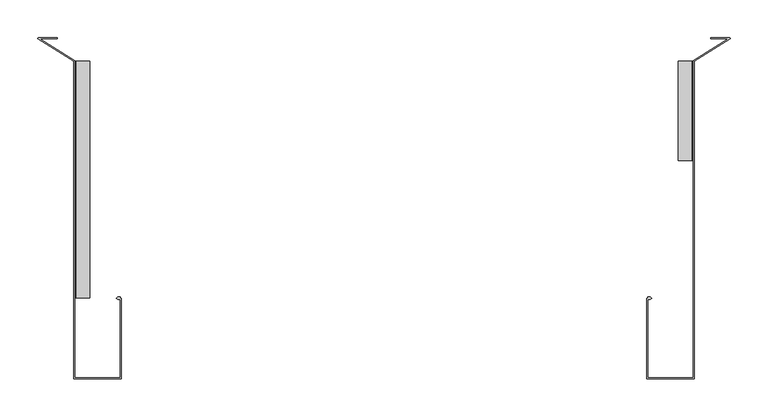
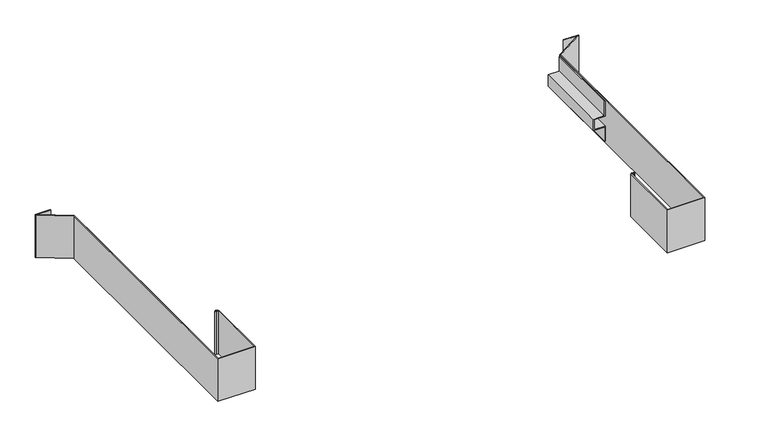
"""IFC4 building model written with IfcOpenShell, lengths in millimetres: furniture geometry."""

from ifc_helpers import new_model, si_unit, point, frame, frame_2d, origin, place, context, project, spatial, polyline, circle_curve, trimmed, segment, composite_curve, outline, extrude, source, transform, mapped, element, save


def furniture_9628b028(model_context):
    return source(origin(), model_context, "Body", "SweptSolid", [
        extrude(outline(polyline([(556.2218991, 839.0695499), (556.2218991, 820.0957081), (535.978113, 820.0957081), (535.978113, 839.293991), (510.2860039, 839.293991), (510.2860039, 840.3396259), (537.2480936, 840.3396259), (537.2480936, 821.5901911), (554.9518822, 821.5901911), (554.9518822, 840.3396259), (581.9140082, 840.3396259), (581.9140082, 839.0695499), (556.2218991, 839.0695499)])), frame((0.0, -127.2057439, 0.0), z_axis=(0.0, 1.0, 0.0), x_axis=(0.0, 0.0, 1.0)), (0.0, 0.0, 1.0), 131.521204),
        extrude(outline(composite_curve([segment(polyline([(863.3502922, 35.7860606), (888.3842906, 35.7860606), (889.1464352, 35.2140615), (888.8101344, 34.3224621), (841.6096134, 4.3154514), (841.6096134, -416.7403394), (778.2620266, -416.7403394), (778.2620266, -310.2127484), (783.100731, -310.2127484)]), True, "CONTINUOUS"), segment(trimmed(circle_curve(frame_2d((783.1370871, -309.832616)), 0.3818669), [point((783.100731, -310.2127484))], [point((783.1370871, -309.4507491))], True, "CARTESIAN"), True, "CONTINUOUS"), segment(polyline([(783.1370871, -309.4507491), (779.5320254, -309.4507491), (779.5320254, -308.1807412), (783.3420308, -308.1807412), (784.9930292, -309.8317487), (783.3420308, -311.4827472), (779.5320072, -311.4827472), (779.5320072, -415.4703406), (840.3396259, -415.4703406), (840.3396259, 5.0129912), (886.747456, 34.5160595), (863.3502922, 34.5160595), (863.3502922, 35.7860606)]), True, "CONTINUOUS")], self_intersect=False)), frame((0.0, 0.0, 507.9999879), z_axis=(0.0, 0.0, 1.0), x_axis=(1.0, 0.0, 0.0)), (0.0, 0.0, 1.0), 76.2),
        extrude(outline(polyline([(556.2218991, 21.7271599), (581.9140082, 21.7271599), (581.9140082, 20.4571611), (554.9518822, 20.4571611), (554.9518822, 39.4309598), (537.2480936, 39.4309598), (537.2480936, 20.4571611), (510.2860039, 20.4571611), (510.2860039, 21.7271599), (535.978113, 21.7271599), (535.978113, 40.7009586), (556.2218991, 40.7009586), (556.2218991, 21.7271599)])), frame((0.0, -309.4507491, 0.0), z_axis=(0.0, 1.0, 0.0), x_axis=(0.0, 0.0, 1.0)), (0.0, 0.0, 1.0), 313.7662092),
        extrude(outline(composite_curve([segment(polyline([(-2.5534878, 35.7860606), (-2.5534878, 34.5160595), (-25.9506689, 34.5160595), (20.4571611, 5.0129912), (20.4571611, -415.4703406), (81.2647617, -415.4703406), (81.2647617, -311.4827472), (77.4547563, -311.4827472), (75.8037578, -309.8317487), (77.4547563, -308.1807412), (81.2647617, -308.1807412), (81.2647617, -309.4507491), (77.6596999, -309.4507491)]), True, "CONTINUOUS"), segment(trimmed(circle_curve(frame_2d((77.6596999, -309.832616)), 0.3818669), [point((77.6596999, -309.4507491))], [point((77.6960561, -310.2127484))], True, "CARTESIAN"), True, "CONTINUOUS"), segment(polyline([(77.6960561, -310.2127484), (82.5347605, -310.2127484), (82.5347605, -416.7403394), (19.1871601, -416.7403394), (19.1871601, 4.3154601), (-28.0133473, 34.3224621), (-28.3496481, 35.2140615), (-27.5875035, 35.7860606), (-2.5534878, 35.7860606)]), True, "CONTINUOUS")], self_intersect=False)), frame((0.0, 0.0, 507.9999879), z_axis=(0.0, 0.0, 1.0), x_axis=(1.0, 0.0, 0.0)), (0.0, 0.0, 1.0), 76.2),
    ])


if __name__ == "__main__":
    model = new_model("IFC4")
    model_context = context("Model", 3, world=origin())
    ifc_project = project(units=[si_unit("LENGTHUNIT", "METRE", prefix="MILLI")], contexts=[model_context])
    site = spatial("IfcSite", under=ifc_project)
    building = spatial("IfcBuilding", under=site)
    placement = place(None, origin())
    furniture_shape = furniture_9628b028(model_context)
    element("IfcFurniture", 1, at=placement, inside=building, context=model_context, shape_type="MappedRepresentation", body=[
        mapped(furniture_shape, transform((0.0, 0.0, 0.0), x_axis=(1.0, 0.0, 0.0), y_axis=(0.0, 1.0, 0.0), z_axis=(0.0, 0.0, 1.0))),
    ])
    save(model, "model.ifc")
